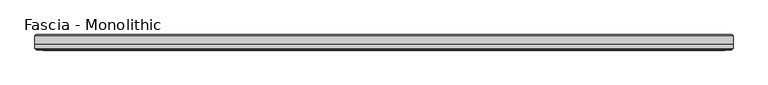
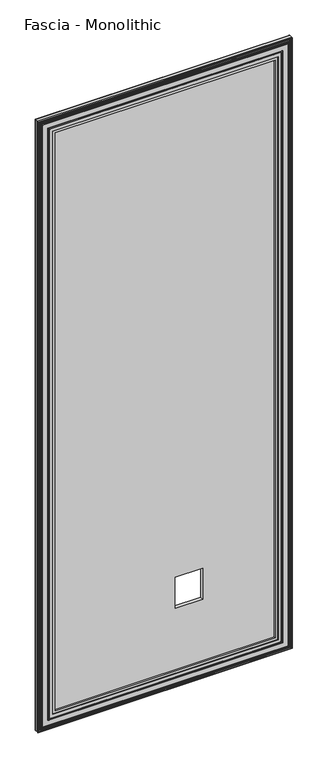
"""IFC4 building model written with IfcOpenShell, lengths in millimetres: proxy geometry, Fascia - Monolithic."""

from ifc_helpers import new_model, si_unit, frame, origin, place, context, project, spatial, ellipse_curve, source, transform, mapped, element, save
from ifc_brep_helpers import plane_surface, cylinder_surface, advanced_brep


def fascia_monolithic_3a5b03c9(model_context):
    return source(origin(), model_context, "Body", "AdvancedBrep", [
        advanced_brep(
        [(-543.9046927, -15.8650077, 46.2434077), (-544.1741004, -16.7386, 45.974), (544.1741004, -16.7386, 45.974), (543.9046927, -15.8650077, 46.2434077), (-545.0785081, -14.6911923, 45.0695923), (545.0785081, -14.6911923, 45.0695923), (-537.9919081, -15.8650077, 52.1561923), (-536.8180927, -14.6911923, 53.3300077), (536.8180927, -14.6911923, 53.3300077), (537.9919081, -15.8650077, 52.1561923), (-537.7225004, -16.7386, 52.4256), (537.7225004, -16.7386, 52.4256), (-521.4411004, -15.5956, 68.707), (-522.2031004, -16.7386, 67.945), (522.2031004, -16.7386, 67.945), (521.4411004, -15.5956, 68.707), (-509.1221004, -8.4836, 81.026), (-509.1221004, -15.5956, 81.026), (509.1221004, -15.5956, 81.026), (509.1221004, -8.4836, 81.026), (-590.1481004, -15.2146, 0.0), (-590.1481004, -8.4836, 0.0), (590.1481004, -8.4836, 0.0), (590.1481004, -15.2146, 0.0), (-588.6241004, -16.7386, 1.524), (588.6241004, -16.7386, 1.524), (-586.5766927, -15.8650077, 3.5714077), (-586.8461004, -16.7386, 3.302), (586.8461004, -16.7386, 3.302), (586.5766927, -15.8650077, 3.5714077), (-587.7505081, -14.6911923, 2.3975923), (587.7505081, -14.6911923, 2.3975923), (-580.6639081, -15.8650077, 9.4841923), (-579.4900927, -14.6911923, 10.6580077), (579.4900927, -14.6911923, 10.6580077), (580.6639081, -15.8650077, 9.4841923), (-580.3945004, -16.7386, 9.7536), (580.3945004, -16.7386, 9.7536), (-575.5050004, -16.7386, 14.6431), (-577.0290004, -16.7386, 13.1191), (577.0290004, -16.7386, 13.1191), (575.5050004, -16.7386, 14.6431), (-569.5360004, -16.7386, 20.6121), (-571.9490004, -16.7386, 18.1991), (571.9490004, -16.7386, 18.1991), (569.5360004, -16.7386, 20.6121), (544.1741004, -16.7386, 2946.7494), (543.9046927, -15.8650077, 2946.4799923), (545.0785081, -14.6911923, 2947.6538077), (536.8180927, -14.6911923, 2939.3933923), (537.9919081, -15.8650077, 2940.5672077), (537.7225004, -16.7386, 2940.2978), (522.2031004, -16.7386, 2924.7784), (521.4411004, -15.5956, 2924.0164), (509.1221004, -15.5956, 2911.6974), (509.1221004, -8.4836, 2911.6974), (590.1481004, -8.4836, 2992.7234), (590.1481004, -15.2146, 2992.7234), (588.6241004, -16.7386, 2991.1994), (586.8461004, -16.7386, 2989.4214), (586.5766927, -15.8650077, 2989.1519923), (587.7505081, -14.6911923, 2990.3258077), (579.4900927, -14.6911923, 2982.0653923), (580.6639081, -15.8650077, 2983.2392077), (580.3945004, -16.7386, 2982.9698), (577.0290004, -16.7386, 2979.6043), (575.5050004, -16.7386, 2978.0803), (571.9490004, -16.7386, 2974.5243), (569.5360004, -16.7386, 2972.1113), (-544.1741004, -16.7386, 2946.7494), (-543.9046927, -15.8650077, 2946.4799923), (-545.0785081, -14.6911923, 2947.6538077), (-536.8180927, -14.6911923, 2939.3933923), (-537.9919081, -15.8650077, 2940.5672077), (-537.7225004, -16.7386, 2940.2978), (-522.2031004, -16.7386, 2924.7784), (-521.4411004, -15.5956, 2924.0164), (-509.1221004, -15.5956, 2911.6974), (-509.1221004, -8.4836, 2911.6974), (-590.1481004, -8.4836, 2992.7234), (-590.1481004, -15.2146, 2992.7234), (-588.6241004, -16.7386, 2991.1994), (-586.8461004, -16.7386, 2989.4214), (-586.5766927, -15.8650077, 2989.1519923), (-587.7505081, -14.6911923, 2990.3258077), (-579.4900927, -14.6911923, 2982.0653923), (-580.6639081, -15.8650077, 2983.2392077), (-580.3945004, -16.7386, 2982.9698), (-577.0290004, -16.7386, 2979.6043), (-575.5050004, -16.7386, 2978.0803), (-571.9490004, -16.7386, 2974.5243), (-569.5360004, -16.7386, 2972.1113)],
        [
            (0, 1, ellipse_curve(frame((-544.2702851, -16.2306, 45.8778154), z_axis=(0.7071067811865475, 0.0, -0.7071067811865475), x_axis=(-0.7071067811865476, 0.0, -0.7071067811865474)), 0.7311846, 0.5170256)),
            (1, 2),
            (2, 3, ellipse_curve(frame((544.2702851, -16.2306, 45.8778154), z_axis=(-0.7071067811865475, 0.0, -0.7071067811865475), x_axis=(-0.7071067811865476, 0.0, 0.7071067811865474)), 0.7311846, 0.5170256)),
            (3, 0),
            (4, 0),
            (3, 5),
            (5, 4),
            (6, 7),
            (7, 8),
            (8, 9),
            (9, 6),
            (10, 6, ellipse_curve(frame((-537.6263158, -16.2306, 52.5217846), z_axis=(0.7071067811865475, 0.0, -0.7071067811865475), x_axis=(-0.7071067811865476, 0.0, -0.7071067811865474)), 0.7311846, 0.5170256)),
            (9, 11, ellipse_curve(frame((537.6263158, -16.2306, 52.5217846), z_axis=(-0.7071067811865475, 0.0, -0.7071067811865475), x_axis=(-0.7071067811865476, 0.0, 0.7071067811865474)), 0.7311846, 0.5170256)),
            (11, 10),
            (12, 13),
            (13, 14),
            (14, 15),
            (15, 12),
            (16, 17),
            (17, 18),
            (18, 19),
            (19, 16),
            (20, 21),
            (21, 22),
            (22, 23),
            (23, 20),
            (24, 20),
            (23, 25),
            (25, 24),
            (26, 27, ellipse_curve(frame((-586.9422851, -16.2306, 3.2058154), z_axis=(0.7071067811865475, 0.0, -0.7071067811865475), x_axis=(-0.7071067811865476, 0.0, -0.7071067811865474)), 0.7311846, 0.5170256)),
            (27, 28),
            (28, 29, ellipse_curve(frame((586.9422851, -16.2306, 3.2058154), z_axis=(-0.7071067811865475, 0.0, -0.7071067811865475), x_axis=(-0.7071067811865476, 0.0, 0.7071067811865474)), 0.7311846, 0.5170256)),
            (29, 26),
            (30, 26),
            (29, 31),
            (31, 30),
            (32, 33),
            (33, 34),
            (34, 35),
            (35, 32),
            (36, 32, ellipse_curve(frame((-580.2983158, -16.2306, 9.8497846), z_axis=(0.7071067811865475, 0.0, -0.7071067811865475), x_axis=(-0.7071067811865476, 0.0, -0.7071067811865474)), 0.7311846, 0.5170256)),
            (35, 37, ellipse_curve(frame((580.2983158, -16.2306, 9.8497846), z_axis=(-0.7071067811865475, 0.0, -0.7071067811865475), x_axis=(-0.7071067811865476, 0.0, 0.7071067811865474)), 0.7311846, 0.5170256)),
            (37, 36),
            (38, 39, ellipse_curve(frame((-576.2670004, -16.7386, 13.8811), z_axis=(0.7071067811865475, 0.0, -0.7071067811865475), x_axis=(-0.7071067811865476, 0.0, -0.7071067811865474)), 1.0776307, 0.762)),
            (39, 40),
            (40, 41, ellipse_curve(frame((576.2670004, -16.7386, 13.8811), z_axis=(-0.7071067811865475, 0.0, -0.7071067811865475), x_axis=(-0.7071067811865476, 0.0, 0.7071067811865474)), 1.0776307, 0.762)),
            (41, 38),
            (42, 43, ellipse_curve(frame((-570.7425004, -16.0202269, 19.4056), z_axis=(0.7071067811865475, 0.0, -0.7071067811865475), x_axis=(-0.7071067811865476, 0.0, -0.7071067811865474)), 1.9858007, 1.4041731)),
            (43, 44),
            (44, 45, ellipse_curve(frame((570.7425004, -16.0202269, 19.4056), z_axis=(-0.7071067811865475, 0.0, -0.7071067811865475), x_axis=(-0.7071067811865476, 0.0, 0.7071067811865474)), 1.9858007, 1.4041731)),
            (45, 42),
            (2, 46),
            (46, 47, ellipse_curve(frame((544.2702851, -16.2306, 2946.8455846), z_axis=(0.7071067811865475, 0.0, -0.7071067811865475), x_axis=(-0.7071067811865474, 0.0, -0.7071067811865476)), 0.7311846, 0.5170256)),
            (47, 3),
            (47, 48),
            (48, 5),
            (8, 49),
            (49, 50),
            (50, 9),
            (50, 51, ellipse_curve(frame((537.6263158, -16.2306, 2940.2016154), z_axis=(0.7071067811865475, 0.0, -0.7071067811865475), x_axis=(-0.7071067811865474, 0.0, -0.7071067811865476)), 0.7311846, 0.5170256)),
            (51, 11),
            (14, 52),
            (52, 53),
            (53, 15),
            (18, 54),
            (54, 55),
            (55, 19),
            (22, 56),
            (56, 57),
            (57, 23),
            (57, 58),
            (58, 25),
            (28, 59),
            (59, 60, ellipse_curve(frame((586.9422851, -16.2306, 2989.5175846), z_axis=(0.7071067811865475, 0.0, -0.7071067811865475), x_axis=(-0.7071067811865474, 0.0, -0.7071067811865476)), 0.7311846, 0.5170256)),
            (60, 29),
            (60, 61),
            (61, 31),
            (34, 62),
            (62, 63),
            (63, 35),
            (63, 64, ellipse_curve(frame((580.2983158, -16.2306, 2982.8736154), z_axis=(0.7071067811865475, 0.0, -0.7071067811865475), x_axis=(-0.7071067811865474, 0.0, -0.7071067811865476)), 0.7311846, 0.5170256)),
            (64, 37),
            (40, 65),
            (65, 66, ellipse_curve(frame((576.2670004, -16.7386, 2978.8423), z_axis=(0.7071067811865475, 0.0, -0.7071067811865475), x_axis=(-0.7071067811865474, 0.0, -0.7071067811865476)), 1.0776307, 0.762)),
            (66, 41),
            (44, 67),
            (67, 68, ellipse_curve(frame((570.7425004, -16.0202269, 2973.3178), z_axis=(0.7071067811865475, 0.0, -0.7071067811865475), x_axis=(-0.7071067811865474, 0.0, -0.7071067811865476)), 1.9858007, 1.4041731)),
            (68, 45),
            (46, 69),
            (69, 70, ellipse_curve(frame((-544.2702851, -16.2306, 2946.8455846), z_axis=(0.7071067811865475, 0.0, 0.7071067811865475), x_axis=(0.7071067811865476, 0.0, -0.7071067811865474)), 0.7311846, 0.5170256)),
            (70, 47),
            (70, 71),
            (71, 48),
            (49, 72),
            (72, 73),
            (73, 50),
            (73, 74, ellipse_curve(frame((-537.6263158, -16.2306, 2940.2016154), z_axis=(0.7071067811865475, 0.0, 0.7071067811865475), x_axis=(0.7071067811865476, 0.0, -0.7071067811865474)), 0.7311846, 0.5170256)),
            (74, 51),
            (52, 75),
            (75, 76),
            (76, 53),
            (54, 77),
            (77, 78),
            (78, 55),
            (56, 79),
            (79, 80),
            (80, 57),
            (80, 81),
            (81, 58),
            (59, 82),
            (82, 83, ellipse_curve(frame((-586.9422851, -16.2306, 2989.5175846), z_axis=(0.7071067811865475, 0.0, 0.7071067811865475), x_axis=(0.7071067811865476, 0.0, -0.7071067811865474)), 0.7311846, 0.5170256)),
            (83, 60),
            (83, 84),
            (84, 61),
            (62, 85),
            (85, 86),
            (86, 63),
            (86, 87, ellipse_curve(frame((-580.2983158, -16.2306, 2982.8736154), z_axis=(0.7071067811865475, 0.0, 0.7071067811865475), x_axis=(0.7071067811865476, 0.0, -0.7071067811865474)), 0.7311846, 0.5170256)),
            (87, 64),
            (65, 88),
            (88, 89, ellipse_curve(frame((-576.2670004, -16.7386, 2978.8423), z_axis=(0.7071067811865475, 0.0, 0.7071067811865475), x_axis=(0.7071067811865476, 0.0, -0.7071067811865474)), 1.0776307, 0.762)),
            (89, 66),
            (67, 90),
            (90, 91, ellipse_curve(frame((-570.7425004, -16.0202269, 2973.3178), z_axis=(0.7071067811865475, 0.0, 0.7071067811865475), x_axis=(0.7071067811865476, 0.0, -0.7071067811865474)), 1.9858007, 1.4041731)),
            (91, 68),
            (91, 42),
            (1, 69),
            (0, 70),
            (4, 71),
            (7, 72),
            (6, 73),
            (10, 74),
            (13, 75),
            (12, 76),
            (17, 77),
            (16, 78),
            (21, 79),
            (20, 80),
            (24, 81),
            (27, 82),
            (26, 83),
            (30, 84),
            (33, 85),
            (32, 86),
            (36, 87),
            (39, 88),
            (38, 89),
            (43, 90),
        ],
        [
            cylinder_surface(frame((-590.1481004, -16.2306, 45.8778154), z_axis=(-1.0, 0.0, 0.0), x_axis=(0.0, 0.0, 1.0)), 0.5170256),
            plane_surface(frame((-543.9046927, -15.8650077, 46.2434077), z_axis=(0.0, 0.7071067813016592, 0.7071067810714359), x_axis=(1.0, 0.0, 0.0))),
            plane_surface(frame((-536.8180927, -14.6911923, 53.3300077), z_axis=(0.0, 0.7071067813016237, -0.7071067810714713), x_axis=(1.0, 0.0, 0.0))),
            cylinder_surface(frame((-590.1481004, -16.2306, 52.5217846), z_axis=(-1.0, 0.0, 0.0), x_axis=(0.0, 0.0, 1.0)), 0.5170256),
            plane_surface(frame((-522.2031004, -16.7386, 67.945), z_axis=(0.0, -0.554700195976685, 0.8320502945035398), x_axis=(1.0, 0.0, 0.0))),
            plane_surface(frame((-509.1221004, -15.5956, 81.026), z_axis=(0.0, 0.0, 1.0), x_axis=(1.0, 0.0, 0.0))),
            plane_surface(frame((-590.1481004, -8.4836, 0.0), z_axis=(0.0, 0.0, -1.0), x_axis=(1.0, 0.0, 0.0))),
            plane_surface(frame((-590.1481004, -15.2146, 0.0), z_axis=(0.0, -0.7071067811865392, -0.7071067811865558), x_axis=(1.0, 0.0, 0.0))),
            cylinder_surface(frame((-590.1481004, -16.2306, 3.2058154), z_axis=(-1.0, 0.0, 0.0), x_axis=(0.0, 0.0, 1.0)), 0.5170256),
            plane_surface(frame((-586.5766927, -15.8650077, 3.5714077), z_axis=(0.0, 0.707106781113895, 0.7071067812592001), x_axis=(1.0, 0.0, 0.0))),
            plane_surface(frame((-579.4900927, -14.6911923, 10.6580077), z_axis=(0.0, 0.7071067811880475, -0.7071067811850476), x_axis=(1.0, 0.0, 0.0))),
            cylinder_surface(frame((-590.1481004, -16.2306, 9.8497846), z_axis=(-1.0, 0.0, 0.0), x_axis=(0.0, 0.0, 1.0)), 0.5170256),
            cylinder_surface(frame((-590.1481004, -16.7386, 13.8811), z_axis=(-1.0, 0.0, 0.0), x_axis=(0.0, 0.0, 1.0)), 0.762),
            cylinder_surface(frame((-590.1481004, -16.0202269, 19.4056), z_axis=(-1.0, 0.0, 0.0), x_axis=(0.0, 0.0, 1.0)), 1.4041731),
            cylinder_surface(frame((544.2702851, -16.2306, 0.0), z_axis=(0.0, 0.0, -1.0), x_axis=(-1.0, 0.0, 0.0)), 0.5170256),
            plane_surface(frame((543.9046927, -15.8650077, 46.2434077), z_axis=(-0.7071067810714261, 0.7071067813016689, 0.0), x_axis=(0.0, 0.0, 1.0))),
            plane_surface(frame((536.8180927, -14.6911923, 53.3300077), z_axis=(0.7071067810714811, 0.707106781301614, 0.0), x_axis=(0.0, 0.0, 1.0))),
            cylinder_surface(frame((537.6263158, -16.2306, 0.0), z_axis=(0.0, 0.0, -1.0), x_axis=(-1.0, 0.0, 0.0)), 0.5170256),
            plane_surface(frame((522.2031004, -16.7386, 67.945), z_axis=(-0.8320502945035475, -0.5547001959766734, 0.0), x_axis=(0.0, 0.0, 1.0))),
            plane_surface(frame((509.1221004, -15.5956, 81.026), z_axis=(-1.0, 0.0, 0.0), x_axis=(0.0, 0.0, 1.0))),
            plane_surface(frame((590.1481004, -8.4836, 0.0), z_axis=(1.0, 0.0, 0.0), x_axis=(0.0, 0.0, 1.0))),
            plane_surface(frame((590.1481004, -15.2146, 0.0), z_axis=(0.707106781186546, -0.707106781186549, 0.0), x_axis=(0.0, 0.0, 1.0))),
            cylinder_surface(frame((586.9422851, -16.2306, 0.0), z_axis=(0.0, 0.0, -1.0), x_axis=(-1.0, 0.0, 0.0)), 0.5170256),
            plane_surface(frame((586.5766927, -15.8650077, 3.5714077), z_axis=(-0.7071067812591904, 0.7071067811139048, 0.0), x_axis=(0.0, 0.0, 1.0))),
            plane_surface(frame((579.4900927, -14.6911923, 10.6580077), z_axis=(0.7071067811850573, 0.7071067811880377, 0.0), x_axis=(0.0, 0.0, 1.0))),
            cylinder_surface(frame((580.2983158, -16.2306, 0.0), z_axis=(0.0, 0.0, -1.0), x_axis=(-1.0, 0.0, 0.0)), 0.5170256),
            cylinder_surface(frame((576.2670004, -16.7386, 0.0), z_axis=(0.0, 0.0, -1.0), x_axis=(-1.0, 0.0, 0.0)), 0.762),
            cylinder_surface(frame((570.7425004, -16.0202269, 0.0), z_axis=(0.0, 0.0, -1.0), x_axis=(-1.0, 0.0, 0.0)), 1.4041731),
            cylinder_surface(frame((590.1481004, -16.2306, 2946.8455846), z_axis=(1.0, 0.0, 0.0), x_axis=(0.0, 0.0, -1.0)), 0.5170256),
            plane_surface(frame((543.9046927, -15.8650077, 2946.4799923), z_axis=(0.0, 0.7071067813016787, -0.7071067810714163), x_axis=(-1.0, 0.0, 0.0))),
            plane_surface(frame((536.8180927, -14.6911923, 2939.3933923), z_axis=(0.0, 0.7071067813016042, 0.7071067810714908), x_axis=(-1.0, 0.0, 0.0))),
            cylinder_surface(frame((590.1481004, -16.2306, 2940.2016154), z_axis=(1.0, 0.0, 0.0), x_axis=(0.0, 0.0, -1.0)), 0.5170256),
            plane_surface(frame((522.2031004, -16.7386, 2924.7784), z_axis=(0.0, -0.5547001959766619, -0.8320502945035552), x_axis=(-1.0, 0.0, 0.0))),
            plane_surface(frame((509.1221004, -15.5956, 2911.6974), z_axis=(0.0, 0.0, -1.0), x_axis=(-1.0, 0.0, 0.0))),
            plane_surface(frame((590.1481004, -8.4836, 2992.7234), z_axis=(0.0, 0.0, 1.0), x_axis=(-1.0, 0.0, 0.0))),
            plane_surface(frame((590.1481004, -15.2146, 2992.7234), z_axis=(0.0, -0.7071067811865588, 0.7071067811865362), x_axis=(-1.0, 0.0, 0.0))),
            cylinder_surface(frame((590.1481004, -16.2306, 2989.5175846), z_axis=(1.0, 0.0, 0.0), x_axis=(0.0, 0.0, -1.0)), 0.5170256),
            plane_surface(frame((586.5766927, -15.8650077, 2989.1519923), z_axis=(0.0, 0.7071067811139146, -0.7071067812591806), x_axis=(-1.0, 0.0, 0.0))),
            plane_surface(frame((579.4900927, -14.6911923, 2982.0653923), z_axis=(0.0, 0.7071067811880279, 0.7071067811850671), x_axis=(-1.0, 0.0, 0.0))),
            cylinder_surface(frame((590.1481004, -16.2306, 2982.8736154), z_axis=(1.0, 0.0, 0.0), x_axis=(0.0, 0.0, -1.0)), 0.5170256),
            cylinder_surface(frame((590.1481004, -16.7386, 2978.8423), z_axis=(1.0, 0.0, 0.0), x_axis=(0.0, 0.0, -1.0)), 0.762),
            cylinder_surface(frame((590.1481004, -16.0202269, 2973.3178), z_axis=(1.0, 0.0, 0.0), x_axis=(0.0, 0.0, -1.0)), 1.4041731),
            plane_surface(frame((-569.5360004, -16.7386, 2972.1113), z_axis=(0.0, -1.0, 0.0), x_axis=(0.0, 0.0, -1.0))),
            cylinder_surface(frame((-544.2702851, -16.2306, 2992.7234), z_axis=(0.0, 0.0, 1.0), x_axis=(1.0, 0.0, 0.0)), 0.5170256),
            plane_surface(frame((-543.9046927, -15.8650077, 2946.4799923), z_axis=(0.7071067810714261, 0.7071067813016689, 0.0), x_axis=(0.0, 0.0, -1.0))),
            plane_surface(frame((-545.0785081, -14.6911923, 2947.6538077), z_axis=(0.0, -1.0, 0.0), x_axis=(0.0, 0.0, -1.0))),
            plane_surface(frame((-536.8180927, -14.6911923, 2939.3933923), z_axis=(-0.7071067810714811, 0.707106781301614, 0.0), x_axis=(0.0, 0.0, -1.0))),
            cylinder_surface(frame((-537.6263158, -16.2306, 2992.7234), z_axis=(0.0, 0.0, 1.0), x_axis=(1.0, 0.0, 0.0)), 0.5170256),
            plane_surface(frame((-537.7225004, -16.7386, 2940.2978), z_axis=(0.0, -1.0, 0.0), x_axis=(0.0, 0.0, -1.0))),
            plane_surface(frame((-522.2031004, -16.7386, 2924.7784), z_axis=(0.8320502945035475, -0.5547001959766734, 0.0), x_axis=(0.0, 0.0, -1.0))),
            plane_surface(frame((-521.4411004, -15.5956, 2924.0164), z_axis=(0.0, -1.0, 0.0), x_axis=(0.0, 0.0, -1.0))),
            plane_surface(frame((-509.1221004, -15.5956, 2911.6974), z_axis=(1.0, 0.0, 0.0), x_axis=(0.0, 0.0, -1.0))),
            plane_surface(frame((-509.1221004, -8.4836, 2911.6974), z_axis=(0.0, 1.0, 0.0), x_axis=(0.0, 0.0, -1.0))),
            plane_surface(frame((-590.1481004, -8.4836, 2992.7234), z_axis=(-1.0, 0.0, 0.0), x_axis=(0.0, 0.0, -1.0))),
            plane_surface(frame((-590.1481004, -15.2146, 2992.7234), z_axis=(-0.707106781186546, -0.707106781186549, 0.0), x_axis=(0.0, 0.0, -1.0))),
            plane_surface(frame((-588.6241004, -16.7386, 2991.1994), z_axis=(0.0, -1.0, 0.0), x_axis=(0.0, 0.0, -1.0))),
            cylinder_surface(frame((-586.9422851, -16.2306, 2992.7234), z_axis=(0.0, 0.0, 1.0), x_axis=(1.0, 0.0, 0.0)), 0.5170256),
            plane_surface(frame((-586.5766927, -15.8650077, 2989.1519923), z_axis=(0.7071067812591904, 0.7071067811139048, 0.0), x_axis=(0.0, 0.0, -1.0))),
            plane_surface(frame((-587.7505081, -14.6911923, 2990.3258077), z_axis=(0.0, -1.0, 0.0), x_axis=(0.0, 0.0, -1.0))),
            plane_surface(frame((-579.4900927, -14.6911923, 2982.0653923), z_axis=(-0.7071067811850573, 0.7071067811880377, 0.0), x_axis=(0.0, 0.0, -1.0))),
            cylinder_surface(frame((-580.2983158, -16.2306, 2992.7234), z_axis=(0.0, 0.0, 1.0), x_axis=(1.0, 0.0, 0.0)), 0.5170256),
            plane_surface(frame((-580.3945004, -16.7386, 2982.9698), z_axis=(0.0, -1.0, 0.0), x_axis=(0.0, 0.0, -1.0))),
            cylinder_surface(frame((-576.2670004, -16.7386, 2992.7234), z_axis=(0.0, 0.0, 1.0), x_axis=(1.0, 0.0, 0.0)), 0.762),
            plane_surface(frame((-575.5050004, -16.7386, 2978.0803), z_axis=(0.0, -1.0, 0.0), x_axis=(0.0, 0.0, -1.0))),
            cylinder_surface(frame((-570.7425004, -16.0202269, 2992.7234), z_axis=(0.0, 0.0, 1.0), x_axis=(1.0, 0.0, 0.0)), 1.4041731),
        ],
        [
            (0, [[1, 2, 3, 4]]),
            (1, [[5, -4, 6, 7]]),
            (2, [[8, 9, 10, 11]]),
            (3, [[12, -11, 13, 14]]),
            (4, [[15, 16, 17, 18]]),
            (5, [[19, 20, 21, 22]]),
            (6, [[23, 24, 25, 26]]),
            (7, [[27, -26, 28, 29]]),
            (8, [[30, 31, 32, 33]]),
            (9, [[34, -33, 35, 36]]),
            (10, [[37, 38, 39, 40]]),
            (11, [[41, -40, 42, 43]]),
            (12, [[44, 45, 46, 47]]),
            (13, [[48, 49, 50, 51]]),
            (14, [[-3, 52, 53, 54]]),
            (15, [[-6, -54, 55, 56]]),
            (16, [[-10, 57, 58, 59]]),
            (17, [[-13, -59, 60, 61]]),
            (18, [[-17, 62, 63, 64]]),
            (19, [[-21, 65, 66, 67]]),
            (20, [[-25, 68, 69, 70]]),
            (21, [[-28, -70, 71, 72]]),
            (22, [[-32, 73, 74, 75]]),
            (23, [[-35, -75, 76, 77]]),
            (24, [[-39, 78, 79, 80]]),
            (25, [[-42, -80, 81, 82]]),
            (26, [[-46, 83, 84, 85]]),
            (27, [[-50, 86, 87, 88]]),
            (28, [[-53, 89, 90, 91]]),
            (29, [[-55, -91, 92, 93]]),
            (30, [[-58, 94, 95, 96]]),
            (31, [[-60, -96, 97, 98]]),
            (32, [[-63, 99, 100, 101]]),
            (33, [[-66, 102, 103, 104]]),
            (34, [[-69, 105, 106, 107]]),
            (35, [[-71, -107, 108, 109]]),
            (36, [[-74, 110, 111, 112]]),
            (37, [[-76, -112, 113, 114]]),
            (38, [[-79, 115, 116, 117]]),
            (39, [[-81, -117, 118, 119]]),
            (40, [[-84, 120, 121, 122]]),
            (41, [[-87, 123, 124, 125]]),
            (42, [[-88, -125, 126, -51], [127, -89, -52, -2]]),
            (43, [[-90, -127, -1, 128]]),
            (44, [[-92, -128, -5, 129]]),
            (45, [[-56, -93, -129, -7], [130, -94, -57, -9]]),
            (46, [[-95, -130, -8, 131]]),
            (47, [[-97, -131, -12, 132]]),
            (48, [[-61, -98, -132, -14], [133, -99, -62, -16]]),
            (49, [[-100, -133, -15, 134]]),
            (50, [[-64, -101, -134, -18], [135, -102, -65, -20]]),
            (51, [[-103, -135, -19, 136]]),
            (52, [[137, -105, -68, -24], [-67, -104, -136, -22]]),
            (53, [[-106, -137, -23, 138]]),
            (54, [[-108, -138, -27, 139]]),
            (55, [[-72, -109, -139, -29], [140, -110, -73, -31]]),
            (56, [[-111, -140, -30, 141]]),
            (57, [[-113, -141, -34, 142]]),
            (58, [[-77, -114, -142, -36], [143, -115, -78, -38]]),
            (59, [[-116, -143, -37, 144]]),
            (60, [[-118, -144, -41, 145]]),
            (61, [[-82, -119, -145, -43], [146, -120, -83, -45]]),
            (62, [[-121, -146, -44, 147]]),
            (63, [[-85, -122, -147, -47], [148, -123, -86, -49]]),
            (64, [[-124, -148, -48, -126]]),
        ],
    ),
        advanced_brep(
        [(-590.1481004, -8.4836, 2992.7234), (590.1481004, -8.4836, 2992.7234), (590.1481004, 6.1862895, 2992.7234), (-590.1481004, 6.1862895, 2992.7234), (590.1481004, -8.4836, 0.0), (-590.1481004, -8.4836, 0.0), (-590.1481004, 6.1862895, 0.0), (590.1481004, 6.1862895, 0.0), (587.8507899, 8.4836, 2.2973105), (-587.8507899, 8.4836, 2.2973105), (-587.8507899, 8.4836, 2990.4260895), (587.8507899, 8.4836, 2990.4260895), (178.3588, 8.4836, 381.0), (178.3588, 8.4836, 533.4), (51.3588, 8.4836, 533.4), (51.3588, 8.4836, 381.0), (178.3588, -8.4836, 533.4), (178.3588, -8.4836, 381.0), (51.3588, -8.4836, 381.0), (51.3588, -8.4836, 533.4)],
        [
            (0, 1),
            (1, 2),
            (2, 3),
            (3, 0),
            (4, 5),
            (5, 6),
            (6, 7),
            (7, 4),
            (8, 9),
            (9, 10),
            (10, 11),
            (11, 8),
            (12, 13),
            (13, 14),
            (14, 15),
            (15, 12),
            (5, 0),
            (3, 6),
            (4, 1),
            (16, 17),
            (17, 18),
            (18, 19),
            (19, 16),
            (7, 2),
            (8, 7, ellipse_curve(frame((587.8507899, 6.1862895, 2.2973105), z_axis=(-0.7071067811865475, 0.0, -0.7071067811865475), x_axis=(0.7071067811865476, 0.0, -0.7071067811865474)), 3.2488876, 2.2973105)),
            (6, 9, ellipse_curve(frame((-587.8507899, 6.1862895, 2.2973105), z_axis=(0.7071067811865475, 0.0, -0.7071067811865475), x_axis=(0.7071067811865476, 0.0, 0.7071067811865474)), 3.2488876, 2.2973105)),
            (11, 2, ellipse_curve(frame((587.8507899, 6.1862895, 2990.4260895), z_axis=(0.7071067811865475, 0.0, -0.7071067811865475), x_axis=(0.7071067811865474, 0.0, 0.7071067811865476)), 3.2488876, 2.2973105)),
            (10, 3, ellipse_curve(frame((-587.8507899, 6.1862895, 2990.4260895), z_axis=(0.7071067811865475, 0.0, 0.7071067811865475), x_axis=(-0.7071067811865476, 0.0, 0.7071067811865474)), 3.2488876, 2.2973105)),
            (12, 17),
            (16, 13),
            (15, 18),
            (14, 19),
        ],
        [
            plane_surface(frame((0.0, 198.5529455, 2992.7234), z_axis=(0.0, 0.0, 1.0), x_axis=(0.0, -1.0, 0.0))),
            plane_surface(frame((0.0, 198.5529455, 0.0), z_axis=(0.0, 0.0, -1.0), x_axis=(0.0, -1.0, 0.0))),
            plane_surface(frame((590.1481004, 8.4836, 2992.7234), z_axis=(0.0, 1.0, 0.0), x_axis=(0.0, 0.0, -1.0))),
            plane_surface(frame((-590.1481004, 8.4836, 2992.7234), z_axis=(-1.0, 0.0, 0.0), x_axis=(0.0, 0.0, -1.0))),
            plane_surface(frame((-590.1481004, -8.4836, 2992.7234), z_axis=(0.0, -1.0, 0.0), x_axis=(0.0, 0.0, -1.0))),
            plane_surface(frame((590.1481004, -8.4836, 2992.7234), z_axis=(1.0, 0.0, 0.0), x_axis=(0.0, 0.0, -1.0))),
            cylinder_surface(frame((-590.1481004, 6.1862895, 2.2973105), z_axis=(1.0, 0.0, 0.0), x_axis=(0.0, -1.0, 0.0)), 2.2973105),
            cylinder_surface(frame((587.8507899, 6.1862895, 0.0), z_axis=(0.0, 0.0, 1.0), x_axis=(0.0, -1.0, 0.0)), 2.2973105),
            cylinder_surface(frame((590.1481004, 6.1862895, 2990.4260895), z_axis=(-1.0, 0.0, 0.0), x_axis=(0.0, -1.0, 0.0)), 2.2973105),
            cylinder_surface(frame((-587.8507899, 6.1862895, 2992.7234), z_axis=(0.0, 0.0, -1.0), x_axis=(0.0, -1.0, 0.0)), 2.2973105),
            plane_surface(frame((178.3588, 8.4836, 533.4), z_axis=(-1.0, 0.0, 0.0), x_axis=(0.0, -1.0, 0.0))),
            plane_surface(frame((178.3588, 8.4836, 381.0), z_axis=(0.0, 0.0, 1.0), x_axis=(0.0, -1.0, 0.0))),
            plane_surface(frame((51.3588, 8.4836, 381.0), z_axis=(1.0, 0.0, 0.0), x_axis=(0.0, -1.0, 0.0))),
            plane_surface(frame((51.3588, 8.4836, 533.4), z_axis=(0.0, 0.0, -1.0), x_axis=(0.0, -1.0, 0.0))),
        ],
        [
            (0, [[1, 2, 3, 4]]),
            (1, [[5, 6, 7, 8]]),
            (2, [[9, 10, 11, 12], [13, 14, 15, 16]]),
            (3, [[17, -4, 18, -6]]),
            (4, [[-1, -17, -5, 19], [20, 21, 22, 23]]),
            (5, [[-19, -8, 24, -2]]),
            (6, [[25, -7, 26, -9]]),
            (7, [[-25, -12, 27, -24]]),
            (8, [[-27, -11, 28, -3]]),
            (9, [[-26, -18, -28, -10]]),
            (10, [[29, -20, 30, -13]]),
            (11, [[-29, -16, 31, -21]]),
            (12, [[-31, -15, 32, -22]]),
            (13, [[-30, -23, -32, -14]]),
        ],
    ),
    ])


if __name__ == "__main__":
    model = new_model("IFC4")
    model_context = context("Model", 3, world=origin())
    ifc_project = project(units=[si_unit("LENGTHUNIT", "METRE", prefix="MILLI")], contexts=[model_context])
    site = spatial("IfcSite", under=ifc_project)
    building = spatial("IfcBuilding", under=site)
    placement = place(None, origin())
    fascia_monolithic_shape = fascia_monolithic_3a5b03c9(model_context)
    element("IfcBuildingElementProxy", 1, Name="Fascia - Monolithic", ObjectType="Fascia - Monolithic", at=placement, inside=building, context=model_context, shape_type="MappedRepresentation", body=[
        mapped(fascia_monolithic_shape, transform((0.0, 0.0, 0.0), x_axis=(1.0, 0.0, 0.0), y_axis=(0.0, 1.0, 0.0), z_axis=(0.0, 0.0, 1.0))),
    ])
    save(model, "model.ifc")
